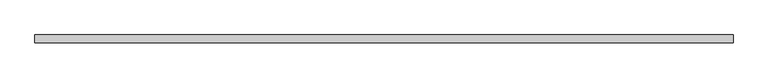
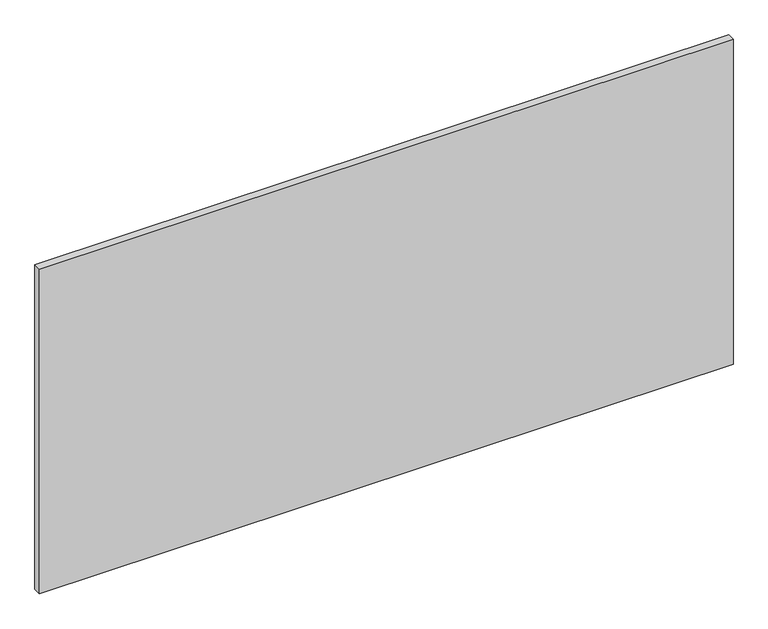
"""IFC4 building model written with IfcOpenShell, lengths in millimetres: furniture geometry."""

from ifc_helpers import new_model, si_unit, frame, origin, place, context, project, spatial, polyline, outline, extrude, source, transform, mapped, element, save


def furniture_ea6a38b8(model_context):
    return source(origin(), model_context, "Body", "SweptSolid", [
        extrude(outline(polyline([(0.59944, 44.5440062), (1828.1994553, 44.5440062), (1828.1994553, 23.9700054), (0.59944, 23.9700054), (0.59944, 44.5440062)])), frame((0.0, 0.0, 139.700003), z_axis=(0.0, 0.0, 1.0), x_axis=(1.0, 0.0, 0.0)), (0.0, 0.0, 1.0), 904.6999834),
    ])


if __name__ == "__main__":
    model = new_model("IFC4")
    model_context = context("Model", 3, world=origin())
    ifc_project = project(units=[si_unit("LENGTHUNIT", "METRE", prefix="MILLI")], contexts=[model_context])
    site = spatial("IfcSite", under=ifc_project)
    building = spatial("IfcBuilding", under=site)
    placement = place(None, origin())
    furniture_shape = furniture_ea6a38b8(model_context)
    element("IfcFurniture", 1, at=placement, inside=building, context=model_context, shape_type="MappedRepresentation", body=[
        mapped(furniture_shape, transform((0.0, 0.0, 0.0), x_axis=(1.0, 0.0, 0.0), y_axis=(0.0, 1.0, 0.0), z_axis=(0.0, 0.0, 1.0))),
    ])
    save(model, "model.ifc")
